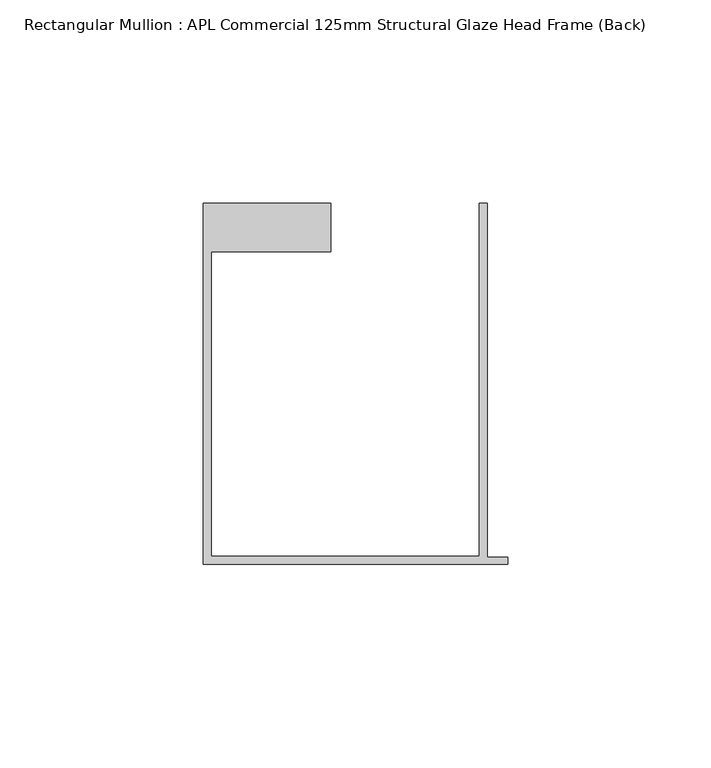
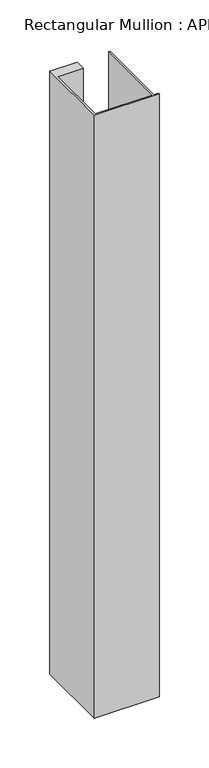
"""IFC4 building model written with IfcOpenShell, lengths in millimetres: member geometry, Rectangular Mullion : APL Commercial 125mm Structural Glaze Head Frame (Back)."""

from ifc_helpers import new_model, si_unit, frame, origin, place, context, project, spatial, polyline, outline, extrude, source, transform, mapped, element, save


def rectangular_mullion_apl_commercial_125mm_structural_glaze_91aa3791(model_context):
    return source(origin(), model_context, "Body", "SweptSolid", [
        extrude(outline(polyline([(-75.0, -103.9993063), (-75.0, -14.9998342), (-43.5000151, -14.9998342), (-43.5000151, -26.9997514), (-73.0, -26.9997514), (-73.0, -101.9993063), (-7.0, -101.9993063), (-7.0, -14.9998342), (-5.0, -14.9998342), (-5.0, -102.1993063), (0.0, -102.1993063), (0.0, -103.9993063), (-75.0, -103.9993063)])), frame((0.0, 0.0, -737.3627514), z_axis=(0.0, 0.0, 1.0), x_axis=(1.0, 0.0, 0.0)), (0.0, 0.0, 1.0), 737.3627514),
    ])


if __name__ == "__main__":
    model = new_model("IFC4")
    model_context = context("Model", 3, world=origin())
    ifc_project = project(units=[si_unit("LENGTHUNIT", "METRE", prefix="MILLI")], contexts=[model_context])
    site = spatial("IfcSite", under=ifc_project)
    building = spatial("IfcBuilding", under=site)
    placement = place(None, origin())
    rectangular_mullion_apl_commercial_125mm_structural_glaze_shape = rectangular_mullion_apl_commercial_125mm_structural_glaze_91aa3791(model_context)
    element("IfcMember", 1, ObjectType="Rectangular Mullion : APL Commercial 125mm Structural Glaze Head Frame (Back)", at=placement, inside=building, context=model_context, shape_type="MappedRepresentation", body=[
        mapped(rectangular_mullion_apl_commercial_125mm_structural_glaze_shape, transform((0.0, 0.0, 0.0), x_axis=(1.0, 0.0, 0.0), y_axis=(0.0, 1.0, 0.0), z_axis=(0.0, 0.0, 1.0))),
    ])
    save(model, "model.ifc")
